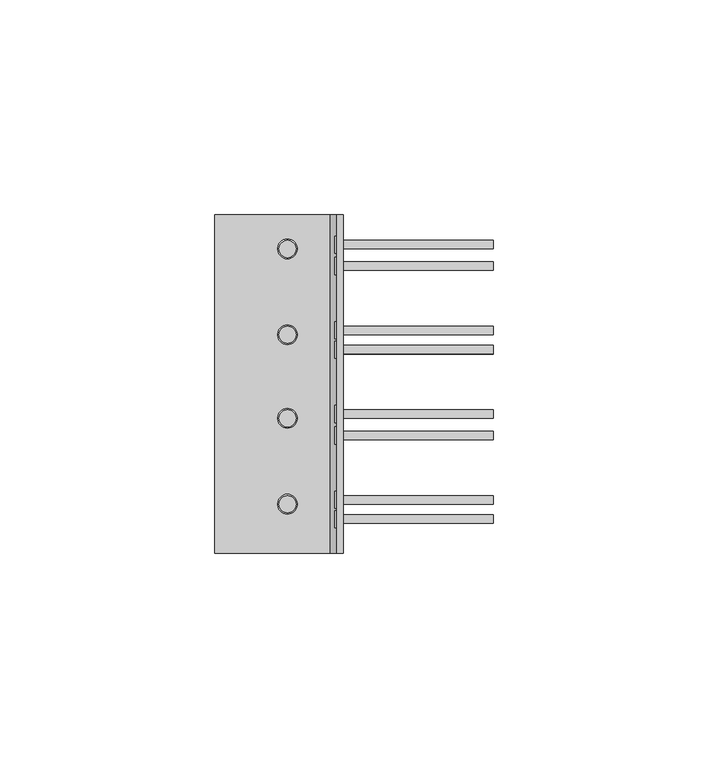
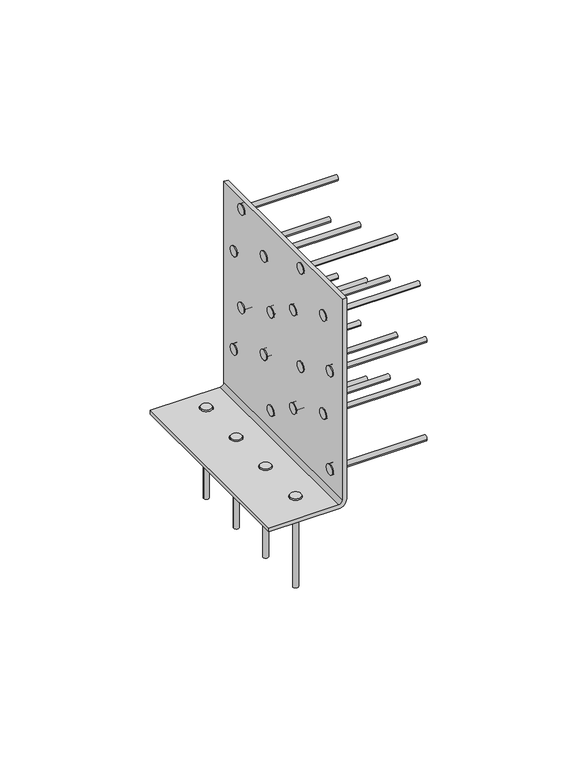
"""IFC4 building model written with IfcOpenShell, lengths in millimetres: proxy geometry."""

from ifc_helpers import new_model, si_unit, point, frame, frame_2d, origin, place, context, project, spatial, polyline, circle_curve, trimmed, segment, composite_curve, outline, extrude, source, transform, mapped, element, save
from ifc_brep_helpers import plane_surface, cylinder_surface, revolved_surface, advanced_brep


def generic_models_5434fb40(model_context):
    return source(origin(), model_context, "Body", "SolidModel", [
        advanced_brep(
        [(0.0, -79.0, 84.6986728), (-1.55, -79.0, 84.6986728), (-1.55, -79.0, 3.0), (-3.0, -79.0, 1.55), (-30.0, -79.0, 1.55), (-30.0, -79.0, 0.0), (-3.0, -79.0, 0.0), (0.0, -79.0, 3.0), (0.0, 0.0, 84.6986728), (0.0, 0.0, 3.0), (-3.0, 0.0, 0.0), (-30.0, 0.0, 0.0), (-30.0, 0.0, 1.55), (-3.0, 0.0, 1.55), (-1.55, 0.0, 3.0), (-1.55, 0.0, 84.6986728), (-1.55, -27.0, 72.5986728), (-1.55, -27.0, 68.7986728), (-1.55, -12.0, 82.5986728), (-1.55, -12.0, 78.7986728), (-1.55, -7.0, 62.5986728), (-1.55, -7.0, 58.7986728), (-1.55, -31.5, 52.5986728), (-1.55, -31.5, 48.7986728), (-1.55, -12.0, 42.5986728), (-1.55, -12.0, 38.7986728), (-1.55, -27.0, 32.5986728), (-1.55, -27.0, 28.7986728), (-1.55, -31.5, 12.5986728), (-1.55, -31.5, 8.7986728), (-1.55, -7.0, 22.5986728), (-1.55, -7.0, 18.7986728), (-1.55, -66.5, 72.5986728), (-1.55, -66.5, 68.7986728), (-1.55, -51.5, 82.5986728), (-1.55, -51.5, 78.7986728), (-1.55, -46.5, 62.5986728), (-1.55, -46.5, 58.7986728), (-1.55, -71.0, 52.5986728), (-1.55, -71.0, 48.7986728), (-1.55, -51.5, 42.5986728), (-1.55, -51.5, 38.7986728), (-1.55, -66.5, 32.5986728), (-1.55, -66.5, 28.7986728), (-1.55, -71.0, 12.5986728), (-1.55, -71.0, 8.7986728), (-1.55, -46.5, 22.5986728), (-1.55, -46.5, 18.7986728), (-13.0, -30.3, 1.55), (-13.0, -25.7, 1.55), (-13.0, -10.3, 1.55), (-13.0, -5.7, 1.55), (-13.0, -69.8, 1.55), (-13.0, -65.2, 1.55), (-13.0, -49.8, 1.55), (-13.0, -45.2, 1.55), (-13.0, -25.7, 0.0), (-13.0, -30.3, 0.0), (-13.0, -5.7, 0.0), (-13.0, -10.3, 0.0), (-13.0, -65.2, 0.0), (-13.0, -69.8, 0.0), (-13.0, -45.2, 0.0), (-13.0, -49.8, 0.0), (0.0, -27.0, 68.7986728), (0.0, -27.0, 72.5986728), (0.0, -12.0, 78.7986728), (0.0, -12.0, 82.5986728), (0.0, -7.0, 58.7986728), (0.0, -7.0, 62.5986728), (0.0, -31.5, 48.7986728), (0.0, -31.5, 52.5986728), (0.0, -12.0, 38.7986728), (0.0, -12.0, 42.5986728), (0.0, -27.0, 28.7986728), (0.0, -27.0, 32.5986728), (0.0, -31.5, 8.7986728), (0.0, -31.5, 12.5986728), (0.0, -7.0, 18.7986728), (0.0, -7.0, 22.5986728), (0.0, -66.5, 68.7986728), (0.0, -66.5, 72.5986728), (0.0, -51.5, 78.7986728), (0.0, -51.5, 82.5986728), (0.0, -46.5, 58.7986728), (0.0, -46.5, 62.5986728), (0.0, -71.0, 48.7986728), (0.0, -71.0, 52.5986728), (0.0, -51.5, 38.7986728), (0.0, -51.5, 42.5986728), (0.0, -66.5, 28.7986728), (0.0, -66.5, 32.5986728), (0.0, -71.0, 8.7986728), (0.0, -71.0, 12.5986728), (0.0, -46.5, 18.7986728), (0.0, -46.5, 22.5986728)],
        [
            (0, 1),
            (1, 2),
            (2, 3, circle_curve(frame((-3.0, -79.0, 3.0), z_axis=(0.0, 1.0, 0.0), x_axis=(1.0, 0.0, 0.0)), 1.45)),
            (3, 4),
            (4, 5),
            (5, 6),
            (6, 7, circle_curve(frame((-3.0, -79.0, 3.0), z_axis=(0.0, -1.0, 0.0), x_axis=(1.0, 0.0, 0.0)), 3.0)),
            (7, 0),
            (8, 9),
            (9, 10, circle_curve(frame((-3.0, 0.0, 3.0), z_axis=(0.0, 1.0, 0.0), x_axis=(1.0, 0.0, 0.0)), 3.0)),
            (10, 11),
            (11, 12),
            (12, 13),
            (13, 14, circle_curve(frame((-3.0, 0.0, 3.0), z_axis=(0.0, -1.0, 0.0), x_axis=(1.0, 0.0, 0.0)), 1.45)),
            (14, 15),
            (15, 8),
            (0, 8),
            (15, 1),
            (14, 2),
            (16, 17, circle_curve(frame((-1.55, -27.0, 70.6986728), z_axis=(1.0, 0.0, 0.0), x_axis=(0.0, 0.0, -1.0)), 1.9)),
            (17, 16, circle_curve(frame((-1.55, -27.0, 70.6986728), z_axis=(1.0, 0.0, 0.0), x_axis=(0.0, 0.0, -1.0)), 1.9)),
            (18, 19, circle_curve(frame((-1.55, -12.0, 80.6986728), z_axis=(1.0, 0.0, 0.0), x_axis=(0.0, 0.0, -1.0)), 1.9)),
            (19, 18, circle_curve(frame((-1.55, -12.0, 80.6986728), z_axis=(1.0, 0.0, 0.0), x_axis=(0.0, 0.0, -1.0)), 1.9)),
            (20, 21, circle_curve(frame((-1.55, -7.0, 60.6986728), z_axis=(1.0, 0.0, 0.0), x_axis=(0.0, 0.0, -1.0)), 1.9)),
            (21, 20, circle_curve(frame((-1.55, -7.0, 60.6986728), z_axis=(1.0, 0.0, 0.0), x_axis=(0.0, 0.0, -1.0)), 1.9)),
            (22, 23, circle_curve(frame((-1.55, -31.5, 50.6986728), z_axis=(1.0, 0.0, 0.0), x_axis=(0.0, 0.0, -1.0)), 1.9)),
            (23, 22, circle_curve(frame((-1.55, -31.5, 50.6986728), z_axis=(1.0, 0.0, 0.0), x_axis=(0.0, 0.0, -1.0)), 1.9)),
            (24, 25, circle_curve(frame((-1.55, -12.0, 40.6986728), z_axis=(1.0, 0.0, 0.0), x_axis=(0.0, 0.0, -1.0)), 1.9)),
            (25, 24, circle_curve(frame((-1.55, -12.0, 40.6986728), z_axis=(1.0, 0.0, 0.0), x_axis=(0.0, 0.0, -1.0)), 1.9)),
            (26, 27, circle_curve(frame((-1.55, -27.0, 30.6986728), z_axis=(1.0, 0.0, 0.0), x_axis=(0.0, 0.0, -1.0)), 1.9)),
            (27, 26, circle_curve(frame((-1.55, -27.0, 30.6986728), z_axis=(1.0, 0.0, 0.0), x_axis=(0.0, 0.0, -1.0)), 1.9)),
            (28, 29, circle_curve(frame((-1.55, -31.5, 10.6986728), z_axis=(1.0, 0.0, 0.0), x_axis=(0.0, 0.0, -1.0)), 1.9)),
            (29, 28, circle_curve(frame((-1.55, -31.5, 10.6986728), z_axis=(1.0, 0.0, 0.0), x_axis=(0.0, 0.0, -1.0)), 1.9)),
            (30, 31, circle_curve(frame((-1.55, -7.0, 20.6986728), z_axis=(1.0, 0.0, 0.0), x_axis=(0.0, 0.0, -1.0)), 1.9)),
            (31, 30, circle_curve(frame((-1.55, -7.0, 20.6986728), z_axis=(1.0, 0.0, 0.0), x_axis=(0.0, 0.0, -1.0)), 1.9)),
            (32, 33, circle_curve(frame((-1.55, -66.5, 70.6986728), z_axis=(1.0, 0.0, 0.0), x_axis=(0.0, 0.0, -1.0)), 1.9)),
            (33, 32, circle_curve(frame((-1.55, -66.5, 70.6986728), z_axis=(1.0, 0.0, 0.0), x_axis=(0.0, 0.0, -1.0)), 1.9)),
            (34, 35, circle_curve(frame((-1.55, -51.5, 80.6986728), z_axis=(1.0, 0.0, 0.0), x_axis=(0.0, 0.0, -1.0)), 1.9)),
            (35, 34, circle_curve(frame((-1.55, -51.5, 80.6986728), z_axis=(1.0, 0.0, 0.0), x_axis=(0.0, 0.0, -1.0)), 1.9)),
            (36, 37, circle_curve(frame((-1.55, -46.5, 60.6986728), z_axis=(1.0, 0.0, 0.0), x_axis=(0.0, 0.0, -1.0)), 1.9)),
            (37, 36, circle_curve(frame((-1.55, -46.5, 60.6986728), z_axis=(1.0, 0.0, 0.0), x_axis=(0.0, 0.0, -1.0)), 1.9)),
            (38, 39, circle_curve(frame((-1.55, -71.0, 50.6986728), z_axis=(1.0, 0.0, 0.0), x_axis=(0.0, 0.0, -1.0)), 1.9)),
            (39, 38, circle_curve(frame((-1.55, -71.0, 50.6986728), z_axis=(1.0, 0.0, 0.0), x_axis=(0.0, 0.0, -1.0)), 1.9)),
            (40, 41, circle_curve(frame((-1.55, -51.5, 40.6986728), z_axis=(1.0, 0.0, 0.0), x_axis=(0.0, 0.0, -1.0)), 1.9)),
            (41, 40, circle_curve(frame((-1.55, -51.5, 40.6986728), z_axis=(1.0, 0.0, 0.0), x_axis=(0.0, 0.0, -1.0)), 1.9)),
            (42, 43, circle_curve(frame((-1.55, -66.5, 30.6986728), z_axis=(1.0, 0.0, 0.0), x_axis=(0.0, 0.0, -1.0)), 1.9)),
            (43, 42, circle_curve(frame((-1.55, -66.5, 30.6986728), z_axis=(1.0, 0.0, 0.0), x_axis=(0.0, 0.0, -1.0)), 1.9)),
            (44, 45, circle_curve(frame((-1.55, -71.0, 10.6986728), z_axis=(1.0, 0.0, 0.0), x_axis=(0.0, 0.0, -1.0)), 1.9)),
            (45, 44, circle_curve(frame((-1.55, -71.0, 10.6986728), z_axis=(1.0, 0.0, 0.0), x_axis=(0.0, 0.0, -1.0)), 1.9)),
            (46, 47, circle_curve(frame((-1.55, -46.5, 20.6986728), z_axis=(1.0, 0.0, 0.0), x_axis=(0.0, 0.0, -1.0)), 1.9)),
            (47, 46, circle_curve(frame((-1.55, -46.5, 20.6986728), z_axis=(1.0, 0.0, 0.0), x_axis=(0.0, 0.0, -1.0)), 1.9)),
            (13, 3),
            (12, 4),
            (48, 49, circle_curve(frame((-13.0, -28.0, 1.55), z_axis=(0.0, 0.0, -1.0), x_axis=(0.0, 1.0, 0.0)), 2.3)),
            (49, 48, circle_curve(frame((-13.0, -28.0, 1.55), z_axis=(0.0, 0.0, -1.0), x_axis=(0.0, 1.0, 0.0)), 2.3)),
            (50, 51, circle_curve(frame((-13.0, -8.0, 1.55), z_axis=(0.0, 0.0, -1.0), x_axis=(0.0, 1.0, 0.0)), 2.3)),
            (51, 50, circle_curve(frame((-13.0, -8.0, 1.55), z_axis=(0.0, 0.0, -1.0), x_axis=(0.0, 1.0, 0.0)), 2.3)),
            (52, 53, circle_curve(frame((-13.0, -67.5, 1.55), z_axis=(0.0, 0.0, -1.0), x_axis=(0.0, 1.0, 0.0)), 2.3)),
            (53, 52, circle_curve(frame((-13.0, -67.5, 1.55), z_axis=(0.0, 0.0, -1.0), x_axis=(0.0, 1.0, 0.0)), 2.3)),
            (54, 55, circle_curve(frame((-13.0, -47.5, 1.55), z_axis=(0.0, 0.0, -1.0), x_axis=(0.0, 1.0, 0.0)), 2.3)),
            (55, 54, circle_curve(frame((-13.0, -47.5, 1.55), z_axis=(0.0, 0.0, -1.0), x_axis=(0.0, 1.0, 0.0)), 2.3)),
            (11, 5),
            (10, 6),
            (56, 57, circle_curve(frame((-13.0, -28.0, 0.0), z_axis=(0.0, 0.0, 1.0), x_axis=(0.0, 1.0, 0.0)), 2.3)),
            (57, 56, circle_curve(frame((-13.0, -28.0, 0.0), z_axis=(0.0, 0.0, 1.0), x_axis=(0.0, 1.0, 0.0)), 2.3)),
            (58, 59, circle_curve(frame((-13.0, -8.0, 0.0), z_axis=(0.0, 0.0, 1.0), x_axis=(0.0, 1.0, 0.0)), 2.3)),
            (59, 58, circle_curve(frame((-13.0, -8.0, 0.0), z_axis=(0.0, 0.0, 1.0), x_axis=(0.0, 1.0, 0.0)), 2.3)),
            (60, 61, circle_curve(frame((-13.0, -67.5, 0.0), z_axis=(0.0, 0.0, 1.0), x_axis=(0.0, 1.0, 0.0)), 2.3)),
            (61, 60, circle_curve(frame((-13.0, -67.5, 0.0), z_axis=(0.0, 0.0, 1.0), x_axis=(0.0, 1.0, 0.0)), 2.3)),
            (62, 63, circle_curve(frame((-13.0, -47.5, 0.0), z_axis=(0.0, 0.0, 1.0), x_axis=(0.0, 1.0, 0.0)), 2.3)),
            (63, 62, circle_curve(frame((-13.0, -47.5, 0.0), z_axis=(0.0, 0.0, 1.0), x_axis=(0.0, 1.0, 0.0)), 2.3)),
            (9, 7),
            (64, 65, circle_curve(frame((0.0, -27.0, 70.6986728), z_axis=(-1.0, 0.0, 0.0), x_axis=(0.0, 0.0, -1.0)), 1.9)),
            (65, 64, circle_curve(frame((0.0, -27.0, 70.6986728), z_axis=(-1.0, 0.0, 0.0), x_axis=(0.0, 0.0, -1.0)), 1.9)),
            (66, 67, circle_curve(frame((0.0, -12.0, 80.6986728), z_axis=(-1.0, 0.0, 0.0), x_axis=(0.0, 0.0, -1.0)), 1.9)),
            (67, 66, circle_curve(frame((0.0, -12.0, 80.6986728), z_axis=(-1.0, 0.0, 0.0), x_axis=(0.0, 0.0, -1.0)), 1.9)),
            (68, 69, circle_curve(frame((0.0, -7.0, 60.6986728), z_axis=(-1.0, 0.0, 0.0), x_axis=(0.0, 0.0, -1.0)), 1.9)),
            (69, 68, circle_curve(frame((0.0, -7.0, 60.6986728), z_axis=(-1.0, 0.0, 0.0), x_axis=(0.0, 0.0, -1.0)), 1.9)),
            (70, 71, circle_curve(frame((0.0, -31.5, 50.6986728), z_axis=(-1.0, 0.0, 0.0), x_axis=(0.0, 0.0, -1.0)), 1.9)),
            (71, 70, circle_curve(frame((0.0, -31.5, 50.6986728), z_axis=(-1.0, 0.0, 0.0), x_axis=(0.0, 0.0, -1.0)), 1.9)),
            (72, 73, circle_curve(frame((0.0, -12.0, 40.6986728), z_axis=(-1.0, 0.0, 0.0), x_axis=(0.0, 0.0, -1.0)), 1.9)),
            (73, 72, circle_curve(frame((0.0, -12.0, 40.6986728), z_axis=(-1.0, 0.0, 0.0), x_axis=(0.0, 0.0, -1.0)), 1.9)),
            (74, 75, circle_curve(frame((0.0, -27.0, 30.6986728), z_axis=(-1.0, 0.0, 0.0), x_axis=(0.0, 0.0, -1.0)), 1.9)),
            (75, 74, circle_curve(frame((0.0, -27.0, 30.6986728), z_axis=(-1.0, 0.0, 0.0), x_axis=(0.0, 0.0, -1.0)), 1.9)),
            (76, 77, circle_curve(frame((0.0, -31.5, 10.6986728), z_axis=(-1.0, 0.0, 0.0), x_axis=(0.0, 0.0, -1.0)), 1.9)),
            (77, 76, circle_curve(frame((0.0, -31.5, 10.6986728), z_axis=(-1.0, 0.0, 0.0), x_axis=(0.0, 0.0, -1.0)), 1.9)),
            (78, 79, circle_curve(frame((0.0, -7.0, 20.6986728), z_axis=(-1.0, 0.0, 0.0), x_axis=(0.0, 0.0, -1.0)), 1.9)),
            (79, 78, circle_curve(frame((0.0, -7.0, 20.6986728), z_axis=(-1.0, 0.0, 0.0), x_axis=(0.0, 0.0, -1.0)), 1.9)),
            (80, 81, circle_curve(frame((0.0, -66.5, 70.6986728), z_axis=(-1.0, 0.0, 0.0), x_axis=(0.0, 0.0, -1.0)), 1.9)),
            (81, 80, circle_curve(frame((0.0, -66.5, 70.6986728), z_axis=(-1.0, 0.0, 0.0), x_axis=(0.0, 0.0, -1.0)), 1.9)),
            (82, 83, circle_curve(frame((0.0, -51.5, 80.6986728), z_axis=(-1.0, 0.0, 0.0), x_axis=(0.0, 0.0, -1.0)), 1.9)),
            (83, 82, circle_curve(frame((0.0, -51.5, 80.6986728), z_axis=(-1.0, 0.0, 0.0), x_axis=(0.0, 0.0, -1.0)), 1.9)),
            (84, 85, circle_curve(frame((0.0, -46.5, 60.6986728), z_axis=(-1.0, 0.0, 0.0), x_axis=(0.0, 0.0, -1.0)), 1.9)),
            (85, 84, circle_curve(frame((0.0, -46.5, 60.6986728), z_axis=(-1.0, 0.0, 0.0), x_axis=(0.0, 0.0, -1.0)), 1.9)),
            (86, 87, circle_curve(frame((0.0, -71.0, 50.6986728), z_axis=(-1.0, 0.0, 0.0), x_axis=(0.0, 0.0, -1.0)), 1.9)),
            (87, 86, circle_curve(frame((0.0, -71.0, 50.6986728), z_axis=(-1.0, 0.0, 0.0), x_axis=(0.0, 0.0, -1.0)), 1.9)),
            (88, 89, circle_curve(frame((0.0, -51.5, 40.6986728), z_axis=(-1.0, 0.0, 0.0), x_axis=(0.0, 0.0, -1.0)), 1.9)),
            (89, 88, circle_curve(frame((0.0, -51.5, 40.6986728), z_axis=(-1.0, 0.0, 0.0), x_axis=(0.0, 0.0, -1.0)), 1.9)),
            (90, 91, circle_curve(frame((0.0, -66.5, 30.6986728), z_axis=(-1.0, 0.0, 0.0), x_axis=(0.0, 0.0, -1.0)), 1.9)),
            (91, 90, circle_curve(frame((0.0, -66.5, 30.6986728), z_axis=(-1.0, 0.0, 0.0), x_axis=(0.0, 0.0, -1.0)), 1.9)),
            (92, 93, circle_curve(frame((0.0, -71.0, 10.6986728), z_axis=(-1.0, 0.0, 0.0), x_axis=(0.0, 0.0, -1.0)), 1.9)),
            (93, 92, circle_curve(frame((0.0, -71.0, 10.6986728), z_axis=(-1.0, 0.0, 0.0), x_axis=(0.0, 0.0, -1.0)), 1.9)),
            (94, 95, circle_curve(frame((0.0, -46.5, 20.6986728), z_axis=(-1.0, 0.0, 0.0), x_axis=(0.0, 0.0, -1.0)), 1.9)),
            (95, 94, circle_curve(frame((0.0, -46.5, 20.6986728), z_axis=(-1.0, 0.0, 0.0), x_axis=(0.0, 0.0, -1.0)), 1.9)),
            (16, 65),
            (64, 17),
            (18, 67),
            (66, 19),
            (20, 69),
            (68, 21),
            (22, 71),
            (70, 23),
            (24, 73),
            (72, 25),
            (26, 75),
            (74, 27),
            (28, 77),
            (76, 29),
            (30, 79),
            (78, 31),
            (48, 57),
            (56, 49),
            (50, 59),
            (58, 51),
            (32, 81),
            (80, 33),
            (34, 83),
            (82, 35),
            (36, 85),
            (84, 37),
            (38, 87),
            (86, 39),
            (40, 89),
            (88, 41),
            (42, 91),
            (90, 43),
            (44, 93),
            (92, 45),
            (46, 95),
            (94, 47),
            (52, 61),
            (60, 53),
            (54, 63),
            (62, 55),
        ],
        [
            plane_surface(frame((-1.55, -79.0, 84.6986728), z_axis=(0.0, -1.0, 0.0), x_axis=(-1.0, 0.0, 0.0))),
            plane_surface(frame((-1.55, 0.0, 84.6986728), z_axis=(0.0, 1.0, 0.0), x_axis=(1.0, 0.0, 0.0))),
            plane_surface(frame((0.0, -79.0, 84.6986728), z_axis=(0.0, 0.0, 1.0), x_axis=(0.0, 1.0, 0.0))),
            plane_surface(frame((-1.55, -79.0, 84.6986728), z_axis=(-1.0, 0.0, 0.0), x_axis=(0.0, 1.0, 0.0))),
            revolved_surface(polyline([(-1.55, 0.0, 3.0), (-1.55, -79.0, 3.0)]), (-3.0, 0.0, 3.0), (0.0, 1.0, 0.0)),
            plane_surface(frame((-3.0, -79.0, 1.55), z_axis=(0.0, 0.0, 1.0), x_axis=(0.0, 1.0, 0.0))),
            plane_surface(frame((-30.0, -79.0, 1.55), z_axis=(-1.0, 0.0, 0.0), x_axis=(0.0, 1.0, 0.0))),
            plane_surface(frame((-30.0, -79.0, 0.0), z_axis=(0.0, 0.0, -1.0), x_axis=(0.0, 1.0, 0.0))),
            cylinder_surface(frame((-3.0, 0.0, 3.0), z_axis=(0.0, -1.0, 0.0), x_axis=(1.0, 0.0, 0.0)), 3.0),
            plane_surface(frame((0.0, -79.0, 3.0), z_axis=(1.0, 0.0, 0.0), x_axis=(0.0, 1.0, 0.0))),
            revolved_surface(polyline([(0.0, -27.0, 68.79867279999999), (-1.5499999999999998, -27.0, 68.79867279999999)]), (-6.55, -27.0, 70.6986728), (1.0, 0.0, 0.0)),
            revolved_surface(polyline([(0.0, -12.0, 78.79867279999999), (-1.55, -12.0, 78.79867279999999)]), (-1.55, -12.0, 80.6986728), (1.0, 0.0, 0.0)),
            revolved_surface(polyline([(0.0, -7.0, 58.7986728), (-1.55, -7.0, 58.7986728)]), (-1.55, -7.0, 60.6986728), (1.0, 0.0, 0.0)),
            revolved_surface(polyline([(0.0, -31.5, 48.7986728), (-1.55, -31.5, 48.7986728)]), (-1.55, -31.5, 50.6986728), (1.0, 0.0, 0.0)),
            revolved_surface(polyline([(0.0, -12.0, 38.7986728), (-1.55, -12.0, 38.7986728)]), (-1.55, -12.0, 40.6986728), (1.0, 0.0, 0.0)),
            revolved_surface(polyline([(0.0, -27.0, 28.798672800000002), (-1.55, -27.0, 28.798672800000002)]), (-1.55, -27.0, 30.6986728), (1.0, 0.0, 0.0)),
            revolved_surface(polyline([(0.0, -31.5, 8.7986728), (-1.55, -31.5, 8.7986728)]), (-1.55, -31.5, 10.6986728), (1.0, 0.0, 0.0)),
            revolved_surface(polyline([(0.0, -7.0, 18.798672800000002), (-1.55, -7.0, 18.798672800000002)]), (-1.55, -7.0, 20.6986728), (1.0, 0.0, 0.0)),
            revolved_surface(polyline([(-13.0, -25.7, 0.0), (-13.0, -25.7, 1.5499999999999998)]), (-13.0, -28.0, 6.55), (0.0, 0.0, -1.0)),
            revolved_surface(polyline([(-13.0, -5.7, 0.0), (-13.0, -5.7, 1.55)]), (-13.0, -8.0, 1.55), (0.0, 0.0, -1.0)),
            revolved_surface(polyline([(0.0, -66.5, 68.79867279999999), (-1.55, -66.5, 68.79867279999999)]), (-1.55, -66.5, 70.6986728), (1.0, 0.0, 0.0)),
            revolved_surface(polyline([(0.0, -51.5, 78.79867279999999), (-1.55, -51.5, 78.79867279999999)]), (-1.55, -51.5, 80.6986728), (1.0, 0.0, 0.0)),
            revolved_surface(polyline([(0.0, -46.5, 58.7986728), (-1.55, -46.5, 58.7986728)]), (-1.55, -46.5, 60.6986728), (1.0, 0.0, 0.0)),
            revolved_surface(polyline([(0.0, -71.0, 48.7986728), (-1.55, -71.0, 48.7986728)]), (-1.55, -71.0, 50.6986728), (1.0, 0.0, 0.0)),
            revolved_surface(polyline([(0.0, -51.5, 38.7986728), (-1.55, -51.5, 38.7986728)]), (-1.55, -51.5, 40.6986728), (1.0, 0.0, 0.0)),
            revolved_surface(polyline([(0.0, -66.5, 28.798672800000002), (-1.55, -66.5, 28.798672800000002)]), (-1.55, -66.5, 30.6986728), (1.0, 0.0, 0.0)),
            revolved_surface(polyline([(0.0, -71.0, 8.7986728), (-1.55, -71.0, 8.7986728)]), (-1.55, -71.0, 10.6986728), (1.0, 0.0, 0.0)),
            revolved_surface(polyline([(0.0, -46.5, 18.798672800000002), (-1.55, -46.5, 18.798672800000002)]), (-1.55, -46.5, 20.6986728), (1.0, 0.0, 0.0)),
            revolved_surface(polyline([(-13.0, -65.2, 0.0), (-13.0, -65.2, 1.55)]), (-13.0, -67.5, 1.55), (0.0, 0.0, -1.0)),
            revolved_surface(polyline([(-13.0, -45.2, 0.0), (-13.0, -45.2, 1.55)]), (-13.0, -47.5, 1.55), (0.0, 0.0, -1.0)),
        ],
        [
            (0, [[1, 2, 3, 4, 5, 6, 7, 8]]),
            (1, [[9, 10, 11, 12, 13, 14, 15, 16]]),
            (2, [[-1, 17, -16, 18]]),
            (3, [[-2, -18, -15, 19], [20, 21], [22, 23], [24, 25], [26, 27], [28, 29], [30, 31], [32, 33], [34, 35], [36, 37], [38, 39], [40, 41], [42, 43], [44, 45], [46, 47], [48, 49], [50, 51]]),
            (4, [[-3, -19, -14, 52]]),
            (5, [[-4, -52, -13, 53], [54, 55], [56, 57], [58, 59], [60, 61]]),
            (6, [[-5, -53, -12, 62]]),
            (7, [[-6, -62, -11, 63], [64, 65], [66, 67], [68, 69], [70, 71]]),
            (8, [[-7, -63, -10, 72]]),
            (9, [[-8, -72, -9, -17], [73, 74], [75, 76], [77, 78], [79, 80], [81, 82], [83, 84], [85, 86], [87, 88], [89, 90], [91, 92], [93, 94], [95, 96], [97, 98], [99, 100], [101, 102], [103, 104]]),
            (10, [[105, -73, 106, -20]]),
            (10, [[-105, -21, -106, -74]]),
            (11, [[107, -75, 108, -22]]),
            (11, [[-107, -23, -108, -76]]),
            (12, [[109, -77, 110, -24]]),
            (12, [[-109, -25, -110, -78]]),
            (13, [[111, -79, 112, -26]]),
            (13, [[-111, -27, -112, -80]]),
            (14, [[113, -81, 114, -28]]),
            (14, [[-113, -29, -114, -82]]),
            (15, [[115, -83, 116, -30]]),
            (15, [[-115, -31, -116, -84]]),
            (16, [[117, -85, 118, -32]]),
            (16, [[-117, -33, -118, -86]]),
            (17, [[119, -87, 120, -34]]),
            (17, [[-119, -35, -120, -88]]),
            (18, [[121, -64, 122, -54]]),
            (18, [[-121, -55, -122, -65]]),
            (19, [[123, -66, 124, -56]]),
            (19, [[-123, -57, -124, -67]]),
            (20, [[125, -89, 126, -36]]),
            (20, [[-125, -37, -126, -90]]),
            (21, [[127, -91, 128, -38]]),
            (21, [[-127, -39, -128, -92]]),
            (22, [[129, -93, 130, -40]]),
            (22, [[-129, -41, -130, -94]]),
            (23, [[131, -95, 132, -42]]),
            (23, [[-131, -43, -132, -96]]),
            (24, [[133, -97, 134, -44]]),
            (24, [[-133, -45, -134, -98]]),
            (25, [[135, -99, 136, -46]]),
            (25, [[-135, -47, -136, -100]]),
            (26, [[137, -101, 138, -48]]),
            (26, [[-137, -49, -138, -102]]),
            (27, [[139, -103, 140, -50]]),
            (27, [[-139, -51, -140, -104]]),
            (28, [[141, -68, 142, -58]]),
            (28, [[-141, -59, -142, -69]]),
            (29, [[143, -70, 144, -60]]),
            (29, [[-143, -61, -144, -71]]),
        ],
    ),
        extrude(outline(composite_curve([segment(trimmed(circle_curve(frame_2d((-12.9911965, -8.0208754)), 1.0), [point((-13.9911965, -8.0208754))], [point((-11.9911965, -8.0208754))], False, "CARTESIAN"), True, "CONTINUOUS"), segment(trimmed(circle_curve(frame_2d((-12.9911965, -8.0208754)), 1.0), [point((-11.9911965, -8.0208754))], [point((-13.9911965, -8.0208754))], False, "CARTESIAN"), True, "CONTINUOUS")], self_intersect=False)), frame((0.0, 0.0, -35.0), z_axis=(0.0, 0.0, 1.0), x_axis=(1.0, 0.0, 0.0)), (0.0, 0.0, 1.0), 36.0),
        extrude(outline(composite_curve([segment(trimmed(circle_curve(frame_2d((-12.9911965, -28.0208754)), 1.0), [point((-13.9911965, -28.0208754))], [point((-11.9911965, -28.0208754))], False, "CARTESIAN"), True, "CONTINUOUS"), segment(trimmed(circle_curve(frame_2d((-12.9911965, -28.0208754)), 1.0), [point((-11.9911965, -28.0208754))], [point((-13.9911965, -28.0208754))], False, "CARTESIAN"), True, "CONTINUOUS")], self_intersect=False)), frame((0.0, 0.0, -35.0), z_axis=(0.0, 0.0, 1.0), x_axis=(1.0, 0.0, 0.0)), (0.0, 0.0, 1.0), 36.0),
        extrude(outline(composite_curve([segment(trimmed(circle_curve(frame_2d((-12.9911965, -47.5208754)), 1.0), [point((-13.9911965, -47.5208754))], [point((-11.9911965, -47.5208754))], False, "CARTESIAN"), True, "CONTINUOUS"), segment(trimmed(circle_curve(frame_2d((-12.9911965, -47.5208754)), 1.0), [point((-11.9911965, -47.5208754))], [point((-13.9911965, -47.5208754))], False, "CARTESIAN"), True, "CONTINUOUS")], self_intersect=False)), frame((0.0, 0.0, -35.0), z_axis=(0.0, 0.0, 1.0), x_axis=(1.0, 0.0, 0.0)), (0.0, 0.0, 1.0), 36.0),
        extrude(outline(composite_curve([segment(trimmed(circle_curve(frame_2d((-12.9911965, -67.5208754)), 1.0), [point((-13.9911965, -67.5208754))], [point((-11.9911965, -67.5208754))], False, "CARTESIAN"), True, "CONTINUOUS"), segment(trimmed(circle_curve(frame_2d((-12.9911965, -67.5208754)), 1.0), [point((-11.9911965, -67.5208754))], [point((-13.9911965, -67.5208754))], False, "CARTESIAN"), True, "CONTINUOUS")], self_intersect=False)), frame((0.0, 0.0, -35.0), z_axis=(0.0, 0.0, 1.0), x_axis=(1.0, 0.0, 0.0)), (0.0, 0.0, 1.0), 36.0),
        extrude(outline(composite_curve([segment(trimmed(circle_curve(frame_2d((-12.9911965, -8.0208754)), 2.0), [point((-14.9911965, -8.0208754))], [point((-10.9911965, -8.0208754))], False, "CARTESIAN"), True, "CONTINUOUS"), segment(trimmed(circle_curve(frame_2d((-12.9911965, -8.0208754)), 2.0), [point((-10.9911965, -8.0208754))], [point((-14.9911965, -8.0208754))], False, "CARTESIAN"), True, "CONTINUOUS")], self_intersect=False)), frame((0.0, 0.0, 1.0), z_axis=(0.0, 0.0, 1.0), x_axis=(1.0, 0.0, 0.0)), (0.0, 0.0, 1.0), 1.0),
        extrude(outline(composite_curve([segment(trimmed(circle_curve(frame_2d((-12.9911965, -28.0208754)), 2.0), [point((-14.9911965, -28.0208754))], [point((-10.9911965, -28.0208754))], False, "CARTESIAN"), True, "CONTINUOUS"), segment(trimmed(circle_curve(frame_2d((-12.9911965, -28.0208754)), 2.0), [point((-10.9911965, -28.0208754))], [point((-14.9911965, -28.0208754))], False, "CARTESIAN"), True, "CONTINUOUS")], self_intersect=False)), frame((0.0, 0.0, 1.0), z_axis=(0.0, 0.0, 1.0), x_axis=(1.0, 0.0, 0.0)), (0.0, 0.0, 1.0), 1.0),
        extrude(outline(composite_curve([segment(trimmed(circle_curve(frame_2d((-12.9911965, -47.5208754)), 2.0), [point((-14.9911965, -47.5208754))], [point((-10.9911965, -47.5208754))], False, "CARTESIAN"), True, "CONTINUOUS"), segment(trimmed(circle_curve(frame_2d((-12.9911965, -47.5208754)), 2.0), [point((-10.9911965, -47.5208754))], [point((-14.9911965, -47.5208754))], False, "CARTESIAN"), True, "CONTINUOUS")], self_intersect=False)), frame((0.0, 0.0, 1.0), z_axis=(0.0, 0.0, 1.0), x_axis=(1.0, 0.0, 0.0)), (0.0, 0.0, 1.0), 1.0),
        extrude(outline(composite_curve([segment(trimmed(circle_curve(frame_2d((-12.9911965, -67.5208754)), 2.0), [point((-14.9911965, -67.5208754))], [point((-10.9911965, -67.5208754))], False, "CARTESIAN"), True, "CONTINUOUS"), segment(trimmed(circle_curve(frame_2d((-12.9911965, -67.5208754)), 2.0), [point((-10.9911965, -67.5208754))], [point((-14.9911965, -67.5208754))], False, "CARTESIAN"), True, "CONTINUOUS")], self_intersect=False)), frame((0.0, 0.0, 1.0), z_axis=(0.0, 0.0, 1.0), x_axis=(1.0, 0.0, 0.0)), (0.0, 0.0, 1.0), 1.0),
        extrude(outline(composite_curve([segment(trimmed(circle_curve(frame_2d((-27.0112781, 70.7052665)), 2.0), [point((-25.0112781, 70.7052665))], [point((-29.0112781, 70.7052665))], False, "CARTESIAN"), True, "CONTINUOUS"), segment(trimmed(circle_curve(frame_2d((-27.0112781, 70.7052665)), 2.0), [point((-29.0112781, 70.7052665))], [point((-25.0112781, 70.7052665))], False, "CARTESIAN"), True, "CONTINUOUS")], self_intersect=False)), frame((-2.0, 0.0, 0.0), z_axis=(1.0, 0.0, 0.0), x_axis=(0.0, 1.0, 0.0)), (0.0, 0.0, 1.0), 1.0),
        extrude(outline(composite_curve([segment(trimmed(circle_curve(frame_2d((-12.0112781, 80.7052665)), 2.0), [point((-10.0112781, 80.7052665))], [point((-14.0112781, 80.7052665))], False, "CARTESIAN"), True, "CONTINUOUS"), segment(trimmed(circle_curve(frame_2d((-12.0112781, 80.7052665)), 2.0), [point((-14.0112781, 80.7052665))], [point((-10.0112781, 80.7052665))], False, "CARTESIAN"), True, "CONTINUOUS")], self_intersect=False)), frame((-2.0, 0.0, 0.0), z_axis=(1.0, 0.0, 0.0), x_axis=(0.0, 1.0, 0.0)), (0.0, 0.0, 1.0), 1.0),
        extrude(outline(composite_curve([segment(trimmed(circle_curve(frame_2d((-7.0112781, 60.7052665)), 2.0), [point((-5.0112781, 60.7052665))], [point((-9.0112781, 60.7052665))], False, "CARTESIAN"), True, "CONTINUOUS"), segment(trimmed(circle_curve(frame_2d((-7.0112781, 60.7052665)), 2.0), [point((-9.0112781, 60.7052665))], [point((-5.0112781, 60.7052665))], False, "CARTESIAN"), True, "CONTINUOUS")], self_intersect=False)), frame((-2.0, 0.0, 0.0), z_axis=(1.0, 0.0, 0.0), x_axis=(0.0, 1.0, 0.0)), (0.0, 0.0, 1.0), 1.0),
        extrude(outline(composite_curve([segment(trimmed(circle_curve(frame_2d((-31.5112781, 50.7052665)), 2.0), [point((-29.5112781, 50.7052665))], [point((-33.5112781, 50.7052665))], False, "CARTESIAN"), True, "CONTINUOUS"), segment(trimmed(circle_curve(frame_2d((-31.5112781, 50.7052665)), 2.0), [point((-33.5112781, 50.7052665))], [point((-29.5112781, 50.7052665))], False, "CARTESIAN"), True, "CONTINUOUS")], self_intersect=False)), frame((-2.0, 0.0, 0.0), z_axis=(1.0, 0.0, 0.0), x_axis=(0.0, 1.0, 0.0)), (0.0, 0.0, 1.0), 1.0),
        extrude(outline(composite_curve([segment(trimmed(circle_curve(frame_2d((-12.0112781, 40.7052665)), 2.0), [point((-10.0112781, 40.7052665))], [point((-14.0112781, 40.7052665))], False, "CARTESIAN"), True, "CONTINUOUS"), segment(trimmed(circle_curve(frame_2d((-12.0112781, 40.7052665)), 2.0), [point((-14.0112781, 40.7052665))], [point((-10.0112781, 40.7052665))], False, "CARTESIAN"), True, "CONTINUOUS")], self_intersect=False)), frame((-2.0, 0.0, 0.0), z_axis=(1.0, 0.0, 0.0), x_axis=(0.0, 1.0, 0.0)), (0.0, 0.0, 1.0), 1.0),
        extrude(outline(composite_curve([segment(trimmed(circle_curve(frame_2d((-27.0112781, 30.7052665)), 2.0), [point((-25.0112781, 30.7052665))], [point((-29.0112781, 30.7052665))], False, "CARTESIAN"), True, "CONTINUOUS"), segment(trimmed(circle_curve(frame_2d((-27.0112781, 30.7052665)), 2.0), [point((-29.0112781, 30.7052665))], [point((-25.0112781, 30.7052665))], False, "CARTESIAN"), True, "CONTINUOUS")], self_intersect=False)), frame((-2.0, 0.0, 0.0), z_axis=(1.0, 0.0, 0.0), x_axis=(0.0, 1.0, 0.0)), (0.0, 0.0, 1.0), 1.0),
        extrude(outline(composite_curve([segment(trimmed(circle_curve(frame_2d((-7.0112781, 20.7052665)), 2.0), [point((-5.0112781, 20.7052665))], [point((-9.0112781, 20.7052665))], False, "CARTESIAN"), True, "CONTINUOUS"), segment(trimmed(circle_curve(frame_2d((-7.0112781, 20.7052665)), 2.0), [point((-9.0112781, 20.7052665))], [point((-5.0112781, 20.7052665))], False, "CARTESIAN"), True, "CONTINUOUS")], self_intersect=False)), frame((-2.0, 0.0, 0.0), z_axis=(1.0, 0.0, 0.0), x_axis=(0.0, 1.0, 0.0)), (0.0, 0.0, 1.0), 1.0),
        extrude(outline(composite_curve([segment(trimmed(circle_curve(frame_2d((-31.5112781, 10.7052665)), 2.0), [point((-29.5112781, 10.7052665))], [point((-33.5112781, 10.7052665))], False, "CARTESIAN"), True, "CONTINUOUS"), segment(trimmed(circle_curve(frame_2d((-31.5112781, 10.7052665)), 2.0), [point((-33.5112781, 10.7052665))], [point((-29.5112781, 10.7052665))], False, "CARTESIAN"), True, "CONTINUOUS")], self_intersect=False)), frame((-2.0, 0.0, 0.0), z_axis=(1.0, 0.0, 0.0), x_axis=(0.0, 1.0, 0.0)), (0.0, 0.0, 1.0), 1.0),
        extrude(outline(composite_curve([segment(trimmed(circle_curve(frame_2d((-66.5112781, 70.7052665)), 2.0), [point((-64.5112781, 70.7052665))], [point((-68.5112781, 70.7052665))], False, "CARTESIAN"), True, "CONTINUOUS"), segment(trimmed(circle_curve(frame_2d((-66.5112781, 70.7052665)), 2.0), [point((-68.5112781, 70.7052665))], [point((-64.5112781, 70.7052665))], False, "CARTESIAN"), True, "CONTINUOUS")], self_intersect=False)), frame((-2.0, 0.0, 0.0), z_axis=(1.0, 0.0, 0.0), x_axis=(0.0, 1.0, 0.0)), (0.0, 0.0, 1.0), 1.0),
        extrude(outline(composite_curve([segment(trimmed(circle_curve(frame_2d((-51.5112781, 80.7052665)), 2.0), [point((-49.5112781, 80.7052665))], [point((-53.5112781, 80.7052665))], False, "CARTESIAN"), True, "CONTINUOUS"), segment(trimmed(circle_curve(frame_2d((-51.5112781, 80.7052665)), 2.0), [point((-53.5112781, 80.7052665))], [point((-49.5112781, 80.7052665))], False, "CARTESIAN"), True, "CONTINUOUS")], self_intersect=False)), frame((-2.0, 0.0, 0.0), z_axis=(1.0, 0.0, 0.0), x_axis=(0.0, 1.0, 0.0)), (0.0, 0.0, 1.0), 1.0),
        extrude(outline(composite_curve([segment(trimmed(circle_curve(frame_2d((-46.5112781, 60.7052665)), 2.0), [point((-44.5112781, 60.7052665))], [point((-48.5112781, 60.7052665))], False, "CARTESIAN"), True, "CONTINUOUS"), segment(trimmed(circle_curve(frame_2d((-46.5112781, 60.7052665)), 2.0), [point((-48.5112781, 60.7052665))], [point((-44.5112781, 60.7052665))], False, "CARTESIAN"), True, "CONTINUOUS")], self_intersect=False)), frame((-2.0, 0.0, 0.0), z_axis=(1.0, 0.0, 0.0), x_axis=(0.0, 1.0, 0.0)), (0.0, 0.0, 1.0), 1.0),
        extrude(outline(composite_curve([segment(trimmed(circle_curve(frame_2d((-71.0112781, 50.7052665)), 2.0), [point((-69.0112781, 50.7052665))], [point((-73.0112781, 50.7052665))], False, "CARTESIAN"), True, "CONTINUOUS"), segment(trimmed(circle_curve(frame_2d((-71.0112781, 50.7052665)), 2.0), [point((-73.0112781, 50.7052665))], [point((-69.0112781, 50.7052665))], False, "CARTESIAN"), True, "CONTINUOUS")], self_intersect=False)), frame((-2.0, 0.0, 0.0), z_axis=(1.0, 0.0, 0.0), x_axis=(0.0, 1.0, 0.0)), (0.0, 0.0, 1.0), 1.0),
        extrude(outline(composite_curve([segment(trimmed(circle_curve(frame_2d((-51.5112781, 40.7052665)), 2.0), [point((-49.5112781, 40.7052665))], [point((-53.5112781, 40.7052665))], False, "CARTESIAN"), True, "CONTINUOUS"), segment(trimmed(circle_curve(frame_2d((-51.5112781, 40.7052665)), 2.0), [point((-53.5112781, 40.7052665))], [point((-49.5112781, 40.7052665))], False, "CARTESIAN"), True, "CONTINUOUS")], self_intersect=False)), frame((-2.0, 0.0, 0.0), z_axis=(1.0, 0.0, 0.0), x_axis=(0.0, 1.0, 0.0)), (0.0, 0.0, 1.0), 1.0),
        extrude(outline(composite_curve([segment(trimmed(circle_curve(frame_2d((-66.5112781, 30.7052665)), 2.0), [point((-64.5112781, 30.7052665))], [point((-68.5112781, 30.7052665))], False, "CARTESIAN"), True, "CONTINUOUS"), segment(trimmed(circle_curve(frame_2d((-66.5112781, 30.7052665)), 2.0), [point((-68.5112781, 30.7052665))], [point((-64.5112781, 30.7052665))], False, "CARTESIAN"), True, "CONTINUOUS")], self_intersect=False)), frame((-2.0, 0.0, 0.0), z_axis=(1.0, 0.0, 0.0), x_axis=(0.0, 1.0, 0.0)), (0.0, 0.0, 1.0), 1.0),
        extrude(outline(composite_curve([segment(trimmed(circle_curve(frame_2d((-46.5112781, 20.7052665)), 2.0), [point((-44.5112781, 20.7052665))], [point((-48.5112781, 20.7052665))], False, "CARTESIAN"), True, "CONTINUOUS"), segment(trimmed(circle_curve(frame_2d((-46.5112781, 20.7052665)), 2.0), [point((-48.5112781, 20.7052665))], [point((-44.5112781, 20.7052665))], False, "CARTESIAN"), True, "CONTINUOUS")], self_intersect=False)), frame((-2.0, 0.0, 0.0), z_axis=(1.0, 0.0, 0.0), x_axis=(0.0, 1.0, 0.0)), (0.0, 0.0, 1.0), 1.0),
        extrude(outline(composite_curve([segment(trimmed(circle_curve(frame_2d((-71.0112781, 10.7052665)), 2.0), [point((-69.0112781, 10.7052665))], [point((-73.0112781, 10.7052665))], False, "CARTESIAN"), True, "CONTINUOUS"), segment(trimmed(circle_curve(frame_2d((-71.0112781, 10.7052665)), 2.0), [point((-73.0112781, 10.7052665))], [point((-69.0112781, 10.7052665))], False, "CARTESIAN"), True, "CONTINUOUS")], self_intersect=False)), frame((-2.0, 0.0, 0.0), z_axis=(1.0, 0.0, 0.0), x_axis=(0.0, 1.0, 0.0)), (0.0, 0.0, 1.0), 1.0),
        extrude(outline(composite_curve([segment(trimmed(circle_curve(frame_2d((-27.0112781, 70.7052665)), 1.0), [point((-26.0112781, 70.7052665))], [point((-28.0112781, 70.7052665))], False, "CARTESIAN"), True, "CONTINUOUS"), segment(trimmed(circle_curve(frame_2d((-27.0112781, 70.7052665)), 1.0), [point((-28.0112781, 70.7052665))], [point((-26.0112781, 70.7052665))], False, "CARTESIAN"), True, "CONTINUOUS")], self_intersect=False)), frame((-1.0, 0.0, 0.0), z_axis=(1.0, 0.0, 0.0), x_axis=(0.0, 1.0, 0.0)), (0.0, 0.0, 1.0), 36.0),
        extrude(outline(composite_curve([segment(trimmed(circle_curve(frame_2d((-12.0112781, 80.7052665)), 1.0), [point((-11.0112781, 80.7052665))], [point((-13.0112781, 80.7052665))], False, "CARTESIAN"), True, "CONTINUOUS"), segment(trimmed(circle_curve(frame_2d((-12.0112781, 80.7052665)), 1.0), [point((-13.0112781, 80.7052665))], [point((-11.0112781, 80.7052665))], False, "CARTESIAN"), True, "CONTINUOUS")], self_intersect=False)), frame((-1.0, 0.0, 0.0), z_axis=(1.0, 0.0, 0.0), x_axis=(0.0, 1.0, 0.0)), (0.0, 0.0, 1.0), 36.0),
        extrude(outline(composite_curve([segment(trimmed(circle_curve(frame_2d((-7.0112781, 60.7052665)), 1.0), [point((-6.0112781, 60.7052665))], [point((-8.0112781, 60.7052665))], False, "CARTESIAN"), True, "CONTINUOUS"), segment(trimmed(circle_curve(frame_2d((-7.0112781, 60.7052665)), 1.0), [point((-8.0112781, 60.7052665))], [point((-6.0112781, 60.7052665))], False, "CARTESIAN"), True, "CONTINUOUS")], self_intersect=False)), frame((-1.0, 0.0, 0.0), z_axis=(1.0, 0.0, 0.0), x_axis=(0.0, 1.0, 0.0)), (0.0, 0.0, 1.0), 36.0),
        extrude(outline(composite_curve([segment(trimmed(circle_curve(frame_2d((-31.5112781, 50.7052665)), 1.0), [point((-30.5112781, 50.7052665))], [point((-32.5112781, 50.7052665))], False, "CARTESIAN"), True, "CONTINUOUS"), segment(trimmed(circle_curve(frame_2d((-31.5112781, 50.7052665)), 1.0), [point((-32.5112781, 50.7052665))], [point((-30.5112781, 50.7052665))], False, "CARTESIAN"), True, "CONTINUOUS")], self_intersect=False)), frame((-1.0, 0.0, 0.0), z_axis=(1.0, 0.0, 0.0), x_axis=(0.0, 1.0, 0.0)), (0.0, 0.0, 1.0), 36.0),
        extrude(outline(composite_curve([segment(trimmed(circle_curve(frame_2d((-12.0112781, 40.7052665)), 1.0), [point((-11.0112781, 40.7052665))], [point((-13.0112781, 40.7052665))], False, "CARTESIAN"), True, "CONTINUOUS"), segment(trimmed(circle_curve(frame_2d((-12.0112781, 40.7052665)), 1.0), [point((-13.0112781, 40.7052665))], [point((-11.0112781, 40.7052665))], False, "CARTESIAN"), True, "CONTINUOUS")], self_intersect=False)), frame((-1.0, 0.0, 0.0), z_axis=(1.0, 0.0, 0.0), x_axis=(0.0, 1.0, 0.0)), (0.0, 0.0, 1.0), 36.0),
        extrude(outline(composite_curve([segment(trimmed(circle_curve(frame_2d((-27.0112781, 30.7052665)), 1.0), [point((-26.0112781, 30.7052665))], [point((-28.0112781, 30.7052665))], False, "CARTESIAN"), True, "CONTINUOUS"), segment(trimmed(circle_curve(frame_2d((-27.0112781, 30.7052665)), 1.0), [point((-28.0112781, 30.7052665))], [point((-26.0112781, 30.7052665))], False, "CARTESIAN"), True, "CONTINUOUS")], self_intersect=False)), frame((-1.0, 0.0, 0.0), z_axis=(1.0, 0.0, 0.0), x_axis=(0.0, 1.0, 0.0)), (0.0, 0.0, 1.0), 36.0),
        extrude(outline(composite_curve([segment(trimmed(circle_curve(frame_2d((-7.0112781, 20.7052665)), 1.0), [point((-6.0112781, 20.7052665))], [point((-8.0112781, 20.7052665))], False, "CARTESIAN"), True, "CONTINUOUS"), segment(trimmed(circle_curve(frame_2d((-7.0112781, 20.7052665)), 1.0), [point((-8.0112781, 20.7052665))], [point((-6.0112781, 20.7052665))], False, "CARTESIAN"), True, "CONTINUOUS")], self_intersect=False)), frame((-1.0, 0.0, 0.0), z_axis=(1.0, 0.0, 0.0), x_axis=(0.0, 1.0, 0.0)), (0.0, 0.0, 1.0), 36.0),
        extrude(outline(composite_curve([segment(trimmed(circle_curve(frame_2d((-31.5112781, 10.7052665)), 1.0), [point((-30.5112781, 10.7052665))], [point((-32.5112781, 10.7052665))], False, "CARTESIAN"), True, "CONTINUOUS"), segment(trimmed(circle_curve(frame_2d((-31.5112781, 10.7052665)), 1.0), [point((-32.5112781, 10.7052665))], [point((-30.5112781, 10.7052665))], False, "CARTESIAN"), True, "CONTINUOUS")], self_intersect=False)), frame((-1.0, 0.0, 0.0), z_axis=(1.0, 0.0, 0.0), x_axis=(0.0, 1.0, 0.0)), (0.0, 0.0, 1.0), 36.0),
        extrude(outline(composite_curve([segment(trimmed(circle_curve(frame_2d((-66.5112781, 70.7052665)), 1.0), [point((-65.5112781, 70.7052665))], [point((-67.5112781, 70.7052665))], False, "CARTESIAN"), True, "CONTINUOUS"), segment(trimmed(circle_curve(frame_2d((-66.5112781, 70.7052665)), 1.0), [point((-67.5112781, 70.7052665))], [point((-65.5112781, 70.7052665))], False, "CARTESIAN"), True, "CONTINUOUS")], self_intersect=False)), frame((-1.0, 0.0, 0.0), z_axis=(1.0, 0.0, 0.0), x_axis=(0.0, 1.0, 0.0)), (0.0, 0.0, 1.0), 36.0),
        extrude(outline(composite_curve([segment(trimmed(circle_curve(frame_2d((-51.5112781, 80.7052665)), 1.0), [point((-50.5112781, 80.7052665))], [point((-52.5112781, 80.7052665))], False, "CARTESIAN"), True, "CONTINUOUS"), segment(trimmed(circle_curve(frame_2d((-51.5112781, 80.7052665)), 1.0), [point((-52.5112781, 80.7052665))], [point((-50.5112781, 80.7052665))], False, "CARTESIAN"), True, "CONTINUOUS")], self_intersect=False)), frame((-1.0, 0.0, 0.0), z_axis=(1.0, 0.0, 0.0), x_axis=(0.0, 1.0, 0.0)), (0.0, 0.0, 1.0), 36.0),
        extrude(outline(composite_curve([segment(trimmed(circle_curve(frame_2d((-46.5112781, 60.7052665)), 1.0), [point((-45.5112781, 60.7052665))], [point((-47.5112781, 60.7052665))], False, "CARTESIAN"), True, "CONTINUOUS"), segment(trimmed(circle_curve(frame_2d((-46.5112781, 60.7052665)), 1.0), [point((-47.5112781, 60.7052665))], [point((-45.5112781, 60.7052665))], False, "CARTESIAN"), True, "CONTINUOUS")], self_intersect=False)), frame((-1.0, 0.0, 0.0), z_axis=(1.0, 0.0, 0.0), x_axis=(0.0, 1.0, 0.0)), (0.0, 0.0, 1.0), 36.0),
        extrude(outline(composite_curve([segment(trimmed(circle_curve(frame_2d((-71.0112781, 50.7052665)), 1.0), [point((-70.0112781, 50.7052665))], [point((-72.0112781, 50.7052665))], False, "CARTESIAN"), True, "CONTINUOUS"), segment(trimmed(circle_curve(frame_2d((-71.0112781, 50.7052665)), 1.0), [point((-72.0112781, 50.7052665))], [point((-70.0112781, 50.7052665))], False, "CARTESIAN"), True, "CONTINUOUS")], self_intersect=False)), frame((-1.0, 0.0, 0.0), z_axis=(1.0, 0.0, 0.0), x_axis=(0.0, 1.0, 0.0)), (0.0, 0.0, 1.0), 36.0),
        extrude(outline(composite_curve([segment(trimmed(circle_curve(frame_2d((-51.5112781, 40.7052665)), 1.0), [point((-50.5112781, 40.7052665))], [point((-52.5112781, 40.7052665))], False, "CARTESIAN"), True, "CONTINUOUS"), segment(trimmed(circle_curve(frame_2d((-51.5112781, 40.7052665)), 1.0), [point((-52.5112781, 40.7052665))], [point((-50.5112781, 40.7052665))], False, "CARTESIAN"), True, "CONTINUOUS")], self_intersect=False)), frame((-1.0, 0.0, 0.0), z_axis=(1.0, 0.0, 0.0), x_axis=(0.0, 1.0, 0.0)), (0.0, 0.0, 1.0), 36.0),
        extrude(outline(composite_curve([segment(trimmed(circle_curve(frame_2d((-66.5112781, 30.7052665)), 1.0), [point((-65.5112781, 30.7052665))], [point((-67.5112781, 30.7052665))], False, "CARTESIAN"), True, "CONTINUOUS"), segment(trimmed(circle_curve(frame_2d((-66.5112781, 30.7052665)), 1.0), [point((-67.5112781, 30.7052665))], [point((-65.5112781, 30.7052665))], False, "CARTESIAN"), True, "CONTINUOUS")], self_intersect=False)), frame((-1.0, 0.0, 0.0), z_axis=(1.0, 0.0, 0.0), x_axis=(0.0, 1.0, 0.0)), (0.0, 0.0, 1.0), 36.0),
        extrude(outline(composite_curve([segment(trimmed(circle_curve(frame_2d((-46.5112781, 20.7052665)), 1.0), [point((-45.5112781, 20.7052665))], [point((-47.5112781, 20.7052665))], False, "CARTESIAN"), True, "CONTINUOUS"), segment(trimmed(circle_curve(frame_2d((-46.5112781, 20.7052665)), 1.0), [point((-47.5112781, 20.7052665))], [point((-45.5112781, 20.7052665))], False, "CARTESIAN"), True, "CONTINUOUS")], self_intersect=False)), frame((-1.0, 0.0, 0.0), z_axis=(1.0, 0.0, 0.0), x_axis=(0.0, 1.0, 0.0)), (0.0, 0.0, 1.0), 36.0),
        extrude(outline(composite_curve([segment(trimmed(circle_curve(frame_2d((-71.0112781, 10.7052665)), 1.0), [point((-70.0112781, 10.7052665))], [point((-72.0112781, 10.7052665))], False, "CARTESIAN"), True, "CONTINUOUS"), segment(trimmed(circle_curve(frame_2d((-71.0112781, 10.7052665)), 1.0), [point((-72.0112781, 10.7052665))], [point((-70.0112781, 10.7052665))], False, "CARTESIAN"), True, "CONTINUOUS")], self_intersect=False)), frame((-1.0, 0.0, 0.0), z_axis=(1.0, 0.0, 0.0), x_axis=(0.0, 1.0, 0.0)), (0.0, 0.0, 1.0), 36.0),
    ])


if __name__ == "__main__":
    model = new_model("IFC4")
    model_context = context("Model", 3, world=origin())
    ifc_project = project(units=[si_unit("LENGTHUNIT", "METRE", prefix="MILLI")], contexts=[model_context])
    site = spatial("IfcSite", under=ifc_project)
    building = spatial("IfcBuilding", under=site)
    placement = place(None, origin())
    generic_models_shape = generic_models_5434fb40(model_context)
    element("IfcBuildingElementProxy", 1, Name="Generic Models", at=placement, inside=building, context=model_context, shape_type="MappedRepresentation", body=[
        mapped(generic_models_shape, transform((0.0, 0.0, 0.0), x_axis=(1.0, 0.0, 0.0), y_axis=(0.0, 1.0, 0.0), z_axis=(0.0, 0.0, 1.0))),
    ])
    save(model, "model.ifc")
